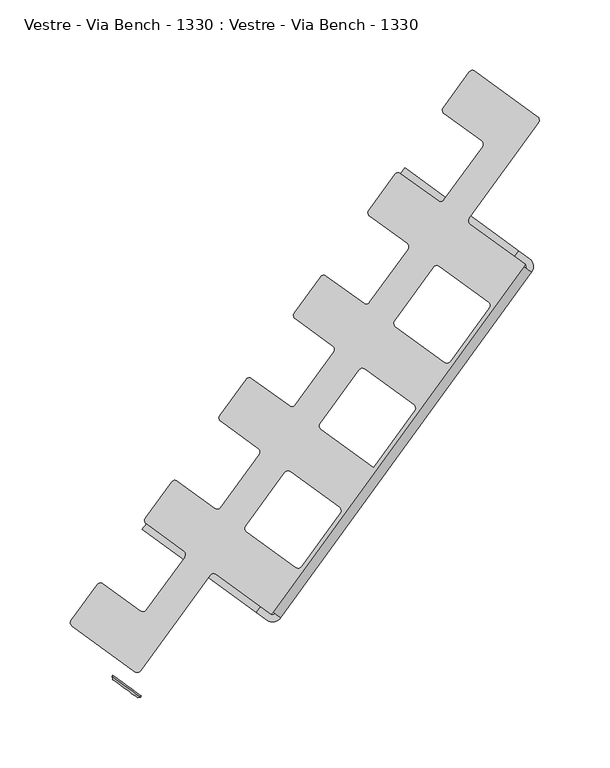
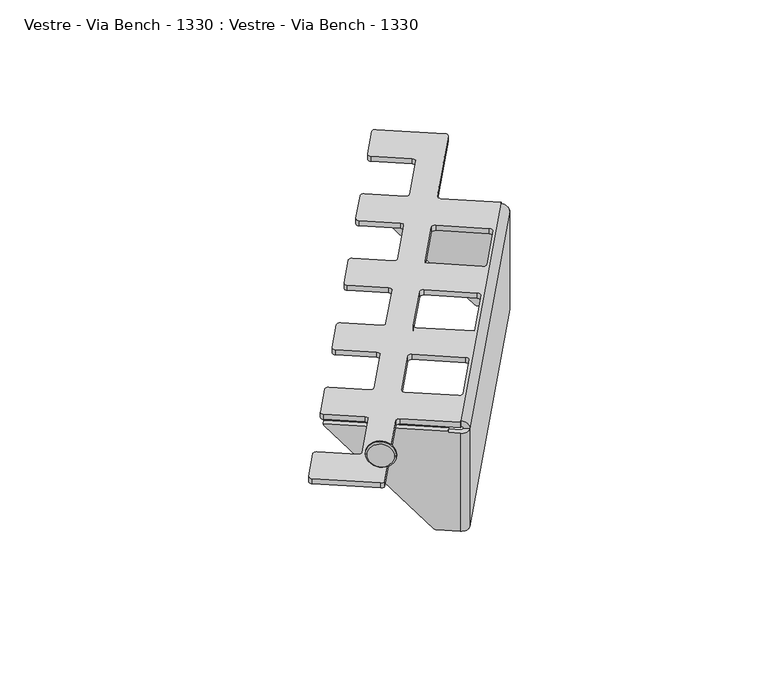
"""IFC4 building model written with IfcOpenShell, lengths in millimetres: furniture geometry, Vestre - Via Bench - 1330 : Vestre - Via Bench - 1330."""

from ifc_helpers import new_model, si_unit, frame, origin, place, context, project, spatial, polyline, circle_curve, source, transform, mapped, element, save
from ifc_brep_helpers import plane_surface, cylinder_surface, revolved_surface, advanced_brep


def vestre_via_bench_1330_vestre_via_bench_1330_fd4237d5(model_context):
    return source(origin(), model_context, "Body", "AdvancedBrep", [
        advanced_brep(
        [(752.5092483, -363.9239104, 370.1409501), (823.543493, -415.5333101, 276.7949141), (825.3113624, -416.8177424, 275.8503634), (840.4426149, -427.8112408, 275.8503634), (840.4426149, -427.8112408, 371.0003634), (832.7569534, -422.2272809, 371.0003634), (832.7569534, -422.2272809, 372.0003634), (751.855254, -363.4487557, 372.0003634), (755.4481746, -359.8788254, 370.1409501), (754.7941802, -359.4036707, 372.0003634), (835.6958797, -418.1821959, 372.0003634), (835.6958797, -418.1821959, 371.0003634), (843.3815411, -423.7661558, 371.0003634), (843.3815411, -423.7661558, 275.8503634), (828.2502886, -412.7726574, 275.8503634), (826.4824193, -411.4882251, 276.7949141), (850.2202306, -426.2626186, 371.0003634), (846.1751456, -423.3236924, 371.0003634), (846.1751456, -423.3236924, 275.8503634), (1024.3916341, -178.0297397, 275.8503634), (1023.9491706, -175.2361352, 275.8503634), (1008.8179181, -164.2426367, 275.8503634), (1011.7568444, -160.1975517, 275.8503634), (1026.8880969, -171.1910502, 275.8503634), (1028.4367191, -180.9686659, 275.8503634), (850.2202306, -426.2626186, 275.8503634), (825.4288361, -257.0795026, 378.0003634), (806.9723792, -282.4826362, 378.0003634), (807.6360744, -286.6730429, 378.0003634), (834.3336352, -306.0699562, 378.0003634), (834.9973305, -310.260363, 378.0003634), (807.6065377, -347.9605549, 378.0003634), (803.416131, -348.6242501, 378.0003634), (776.7185701, -329.2273368, 378.0003634), (772.5281634, -329.891032, 378.0003634), (754.0717065, -355.2941657, 378.0003634), (754.7354017, -359.4845724, 378.0003634), (781.4329625, -378.8814857, 378.0003634), (782.0966578, -383.0718925, 378.0003634), (754.705865, -420.7720844, 378.0003634), (750.5154583, -421.4357796, 378.0003634), (723.8178974, -402.0388663, 378.0003634), (719.6274907, -402.7025615, 378.0003634), (701.2885908, -427.9438918, 378.0003634), (701.9522861, -432.1342985, 378.0003634), (746.4482207, -464.4624874, 378.0003634), (750.6386275, -463.7987922, 378.0003634), (799.9538102, -395.9222663, 378.0003634), (804.1442169, -395.2585711, 378.0003634), (843.3815411, -423.7661558, 378.0003634), (844.5571116, -422.1481219, 378.0003634), (1022.7736001, -176.8541692, 378.0003634), (1023.9491706, -175.2361352, 378.0003634), (984.7118464, -146.7285504, 378.0003634), (984.0481512, -142.5381437, 378.0003634), (1033.3633338, -74.6616179, 378.0003634), (1032.6996386, -70.4712111, 378.0003634), (988.2037039, -38.1430222, 378.0003634), (984.0132972, -38.8067175, 378.0003634), (965.6743973, -64.0480477, 378.0003634), (966.3380925, -68.2384544, 378.0003634), (993.0356534, -87.6353678, 378.0003634), (993.6993486, -91.8257745, 378.0003634), (966.3085558, -129.5259664, 378.0003634), (962.1181491, -130.1896617, 378.0003634), (935.4205883, -110.7927483, 378.0003634), (931.2301815, -111.4564436, 378.0003634), (912.7737246, -136.8595772, 378.0003634), (913.4374198, -141.0499839, 378.0003634), (940.1349806, -160.4468973, 378.0003634), (940.7986759, -164.637304, 378.0003634), (913.4078831, -202.3374959, 378.0003634), (909.2174764, -203.0011912, 378.0003634), (882.5199156, -183.6042778, 378.0003634), (878.3295088, -184.2679731, 378.0003634), (859.8730519, -209.6711067, 378.0003634), (860.5367471, -213.8615134, 378.0003634), (887.2343079, -233.2584268, 378.0003634), (887.8980032, -237.4488335, 378.0003634), (860.5072104, -275.1490254, 378.0003634), (856.3168037, -275.8127207, 378.0003634), (829.6192429, -256.4158073, 378.0003634), (856.9861111, -322.5279433, 378.0003634), (891.7738418, -347.8027092, 378.0003634), (892.4375371, -351.9931159, 378.0003634), (865.0467443, -389.6933078, 378.0003634), (860.8563376, -390.3570031, 378.0003634), (826.0686068, -365.0822372, 378.0003634), (825.4049116, -360.8918305, 378.0003634), (852.7957043, -323.1916385, 378.0003634), (909.8867838, -249.7164138, 378.0003634), (944.6745145, -274.9911797, 378.0003634), (945.3382098, -279.1815864, 378.0003634), (916.1840613, -319.3088293, 378.0003634), (878.9692795, -292.2707077, 378.0003634), (878.3055843, -288.080301, 378.0003634), (905.696377, -250.380109, 378.0003634), (962.7874565, -176.9048843, 378.0003634), (997.5751872, -202.1796502, 378.0003634), (998.2388825, -206.3700569, 378.0003634), (970.8480897, -244.0702488, 378.0003634), (966.657683, -244.7339441, 378.0003634), (931.8699522, -219.4591782, 378.0003634), (931.206257, -215.2687715, 378.0003634), (958.5970497, -177.5685795, 378.0003634), (825.4288361, -257.0795026, 373.0003634), (829.6192429, -256.4158073, 373.0003634), (856.3168037, -275.8127207, 373.0003634), (860.5072104, -275.1490254, 373.0003634), (887.8980032, -237.4488335, 373.0003634), (887.2343079, -233.2584268, 373.0003634), (860.5367471, -213.8615134, 373.0003634), (859.8730519, -209.6711067, 373.0003634), (878.3295088, -184.2679731, 373.0003634), (882.5199156, -183.6042778, 373.0003634), (909.2174764, -203.0011912, 373.0003634), (913.4078831, -202.3374959, 373.0003634), (940.7986759, -164.637304, 373.0003634), (940.1349806, -160.4468973, 373.0003634), (913.4374198, -141.0499839, 373.0003634), (912.7737246, -136.8595772, 373.0003634), (931.2301815, -111.4564436, 373.0003634), (935.4205883, -110.7927483, 373.0003634), (962.1181491, -130.1896617, 373.0003634), (966.3085558, -129.5259664, 373.0003634), (993.6993486, -91.8257745, 373.0003634), (993.0356534, -87.6353678, 373.0003634), (966.3380925, -68.2384544, 373.0003634), (965.6743973, -64.0480477, 373.0003634), (984.0132972, -38.8067175, 373.0003634), (988.2037039, -38.1430222, 373.0003634), (1032.6996386, -70.4712111, 373.0003634), (1033.3633338, -74.6616179, 373.0003634), (984.0481512, -142.5381437, 373.0003634), (984.7118464, -146.7285504, 373.0003634), (1023.9491706, -175.2361352, 373.0003634), (1022.7736001, -176.8541692, 373.0003634), (844.5571116, -422.1481219, 373.0003634), (843.3815411, -423.7661558, 373.0003634), (804.1442169, -395.2585711, 373.0003634), (799.9538102, -395.9222663, 373.0003634), (750.6386275, -463.7987922, 373.0003634), (746.4482207, -464.4624874, 373.0003634), (701.9522861, -432.1342985, 373.0003634), (701.2885908, -427.9438918, 373.0003634), (719.6274907, -402.7025615, 373.0003634), (723.8178974, -402.0388663, 373.0003634), (750.5154583, -421.4357796, 373.0003634), (754.705865, -420.7720844, 373.0003634), (782.0966578, -383.0718925, 373.0003634), (781.4329625, -378.8814857, 373.0003634), (754.7354017, -359.4845724, 373.0003634), (754.0717065, -355.2941657, 373.0003634), (772.5281634, -329.891032, 373.0003634), (776.7185701, -329.2273368, 373.0003634), (803.416131, -348.6242501, 373.0003634), (807.6065377, -347.9605549, 373.0003634), (834.9973305, -310.260363, 373.0003634), (834.3336352, -306.0699562, 373.0003634), (807.6360744, -286.6730429, 373.0003634), (806.9723792, -282.4826362, 373.0003634), (856.9861111, -322.5279433, 373.0003634), (852.7957043, -323.1916385, 373.0003634), (825.4049116, -360.8918305, 373.0003634), (826.0686068, -365.0822372, 373.0003634), (860.8563376, -390.3570031, 373.0003634), (865.0467443, -389.6933078, 373.0003634), (892.4375371, -351.9931159, 373.0003634), (891.7738418, -347.8027092, 373.0003634), (909.8867838, -249.7164138, 373.0003634), (905.696377, -250.380109, 373.0003634), (878.3055843, -288.080301, 373.0003634), (878.9692795, -292.2707077, 373.0003634), (916.1840613, -319.3088293, 373.0003634), (945.3382098, -279.1815864, 373.0003634), (944.6745145, -274.9911797, 373.0003634), (962.7874565, -176.9048843, 373.0003634), (958.5970497, -177.5685795, 373.0003634), (931.206257, -215.2687715, 373.0003634), (931.8699522, -219.4591782, 373.0003634), (966.657683, -244.7339441, 373.0003634), (970.8480897, -244.0702488, 373.0003634), (998.2388825, -206.3700569, 373.0003634), (997.5751872, -202.1796502, 373.0003634), (1028.4367191, -180.9686659, 371.0003634), (1024.3916341, -178.0297397, 371.0003634), (1016.2635092, -169.6521753, 371.0003634), (1023.9491706, -175.2361352, 371.0003634), (1026.8880969, -171.1910502, 371.0003634), (1019.2024354, -165.6070903, 371.0003634), (1016.2635092, -169.6521753, 372.0003634), (935.3618097, -110.87365, 372.0003634), (936.0158041, -111.3488047, 370.1409501), (1007.0500488, -162.9582045, 276.7949141), (1009.988975, -158.9131195, 276.7949141), (938.9547303, -107.3037198, 370.1409501), (938.300736, -106.8285651, 372.0003634), (1019.2024354, -165.6070903, 372.0003634)],
        [
            (0, 1),
            (1, 2, circle_curve(frame((825.3113624, -416.8177424, 278.8503634), z_axis=(-0.5877852522928866, -0.8090169943746471, 0.0), x_axis=(0.0, 0.0, -1.0)), 3.0)),
            (2, 3),
            (3, 4),
            (4, 5),
            (5, 6),
            (6, 7),
            (7, 0, circle_curve(frame((754.2771177, -365.2083426, 372.1963993), z_axis=(-0.587785252292255, -0.8090169943751061, 0.0), x_axis=(-0.8072878914356514, 0.5865289854714304, -0.06534531003243231)), 3.0)),
            (8, 9, circle_curve(frame((757.2160439, -361.1632577, 372.1963993), z_axis=(0.587785252292255, 0.8090169943751061, 0.0), x_axis=(-0.8072878914356514, 0.5865289854714304, -0.06534531003243231)), 3.0)),
            (9, 10),
            (10, 11),
            (11, 12),
            (12, 13),
            (13, 14),
            (14, 15, circle_curve(frame((828.2502886, -412.7726574, 278.8503634), z_axis=(0.5877852522928866, 0.8090169943746471, 0.0), x_axis=(0.0, 0.0, -1.0)), 3.0)),
            (15, 8),
            (7, 9),
            (8, 0),
            (6, 10),
            (5, 11),
            (4, 16, circle_curve(frame((844.5571116, -422.1481219, 371.0003634), z_axis=(0.0, 0.0, 1.0), x_axis=(-0.8090169943748994, 0.5877852522925394, 0.0)), 7.0)),
            (16, 17),
            (17, 12, circle_curve(frame((844.5571116, -422.1481219, 371.0003634), z_axis=(0.0, 0.0, -1.0), x_axis=(-0.8090169943748994, 0.5877852522925394, 0.0)), 2.0)),
            (2, 14),
            (13, 18, circle_curve(frame((844.5571116, -422.1481219, 275.8503634), z_axis=(0.0, 0.0, 1.0), x_axis=(-0.8090169943748994, 0.5877852522925394, 0.0)), 2.0)),
            (18, 19),
            (19, 20, circle_curve(frame((1022.7736001, -176.8541692, 275.8503634), z_axis=(0.0, 0.0, 1.0), x_axis=(-0.8090169943748994, 0.5877852522925394, 0.0)), 2.0)),
            (20, 21),
            (21, 22),
            (22, 23),
            (23, 24, circle_curve(frame((1022.7736001, -176.8541692, 275.8503634), z_axis=(0.0, 0.0, -1.0), x_axis=(-0.8090169943748994, 0.5877852522925394, 0.0)), 7.0)),
            (24, 25),
            (25, 3, circle_curve(frame((844.5571116, -422.1481219, 275.8503634), z_axis=(0.0, 0.0, -1.0), x_axis=(-0.8090169943748994, 0.5877852522925394, 0.0)), 7.0)),
            (1, 15),
            (17, 18),
            (25, 16),
            (26, 27),
            (27, 28, circle_curve(frame((809.3994302, -284.2459919, 378.0003634), z_axis=(0.0, 0.0, 1.0), x_axis=(-0.8090169943748462, 0.5877852522926125, 0.0)), 3.0)),
            (28, 29),
            (29, 30, circle_curve(frame((832.5702795, -308.4970072, 378.0003634), z_axis=(0.0, 0.0, -1.0), x_axis=(0.8090169943751115, -0.5877852522922474, 0.0)), 3.0)),
            (30, 31),
            (31, 32, circle_curve(frame((805.1794867, -346.1971992, 378.0003634), z_axis=(0.0, 0.0, -1.0), x_axis=(-0.5877852522926489, -0.8090169943748198, 0.0)), 3.0)),
            (32, 33),
            (33, 34, circle_curve(frame((774.9552144, -331.6543878, 378.0003634), z_axis=(0.0, 0.0, 1.0), x_axis=(0.5877852522924664, 0.8090169943749523, 0.0)), 3.0)),
            (34, 35),
            (35, 36, circle_curve(frame((756.4987575, -357.0575214, 378.0003634), z_axis=(0.0, 0.0, 1.0), x_axis=(-0.8090169943749523, 0.5877852522924664, 0.0)), 3.0)),
            (36, 37),
            (37, 38, circle_curve(frame((779.6696068, -381.3085367, 378.0003634), z_axis=(0.0, 0.0, -1.0), x_axis=(0.8090169943748462, -0.5877852522926125, 0.0)), 3.0)),
            (38, 39),
            (39, 40, circle_curve(frame((752.278814, -419.0087287, 378.0003634), z_axis=(0.0, 0.0, -1.0), x_axis=(-0.5877852522925029, -0.8090169943749259, 0.0)), 3.0)),
            (40, 41),
            (41, 42, circle_curve(frame((722.0545417, -404.4659173, 378.0003634), z_axis=(0.0, 0.0, 1.0), x_axis=(0.5877852522924664, 0.8090169943749523, 0.0)), 3.0)),
            (42, 43),
            (43, 44, circle_curve(frame((703.7156418, -429.7072475, 378.0003634), z_axis=(0.0, 0.0, 1.0), x_axis=(-0.8090169943748994, 0.5877852522925394, 0.0)), 3.0)),
            (44, 45),
            (45, 46, circle_curve(frame((748.2115765, -462.0354364, 378.0003634), z_axis=(0.0, 0.0, 1.0), x_axis=(-0.5877852522925394, -0.8090169943748994, 0.0)), 3.0)),
            (46, 47),
            (47, 48, circle_curve(frame((802.3808611, -397.6856221, 378.0003634), z_axis=(0.0, 0.0, -1.0), x_axis=(0.5877852522925394, 0.8090169943748994, 0.0)), 3.0)),
            (48, 49),
            (49, 50),
            (50, 51),
            (51, 52),
            (52, 53),
            (53, 54, circle_curve(frame((986.4752022, -144.3014994, 378.0003634), z_axis=(0.0, 0.0, -1.0), x_axis=(-0.8090169943748462, 0.5877852522926125, 0.0)), 3.0)),
            (54, 55),
            (55, 56, circle_curve(frame((1030.9362829, -72.8982621, 378.0003634), z_axis=(0.0, 0.0, 1.0), x_axis=(0.5877852522923204, 0.8090169943750585, 0.0)), 3.0)),
            (56, 57),
            (57, 58, circle_curve(frame((986.4403482, -40.5700732, 378.0003634), z_axis=(0.0, 0.0, 1.0), x_axis=(0.5877852522926489, 0.8090169943748198, 0.0)), 3.0)),
            (58, 59),
            (59, 60, circle_curve(frame((968.1014483, -65.8114035, 378.0003634), z_axis=(0.0, 0.0, 1.0), x_axis=(-0.8090169943747402, 0.5877852522927585, 0.0)), 3.0)),
            (60, 61),
            (61, 62, circle_curve(frame((991.2722976, -90.0624187, 378.0003634), z_axis=(0.0, 0.0, -1.0), x_axis=(0.8090169943748462, -0.5877852522926125, 0.0)), 3.0)),
            (62, 63),
            (63, 64, circle_curve(frame((963.8815048, -127.7626107, 378.0003634), z_axis=(0.0, 0.0, -1.0), x_axis=(-0.5877852522925029, -0.8090169943749259, 0.0)), 3.0)),
            (64, 65),
            (65, 66, circle_curve(frame((933.6572325, -113.2197993, 378.0003634), z_axis=(0.0, 0.0, 1.0), x_axis=(0.5877852522924664, 0.8090169943749523, 0.0)), 3.0)),
            (66, 67),
            (67, 68, circle_curve(frame((915.2007756, -138.6229329, 378.0003634), z_axis=(0.0, 0.0, 1.0), x_axis=(-0.8090169943747932, 0.5877852522926854, 0.0)), 3.0)),
            (68, 69),
            (69, 70, circle_curve(frame((938.3716249, -162.8739482, 378.0003634), z_axis=(0.0, 0.0, -1.0), x_axis=(0.8090169943747932, -0.5877852522926854, 0.0)), 3.0)),
            (70, 71),
            (71, 72, circle_curve(frame((910.9808321, -200.5741402, 378.0003634), z_axis=(0.0, 0.0, -1.0), x_axis=(-0.5877852522925029, -0.8090169943749259, 0.0)), 3.0)),
            (72, 73),
            (73, 74, circle_curve(frame((880.7565598, -186.0313288, 378.0003634), z_axis=(0.0, 0.0, 1.0), x_axis=(0.5877852522924664, 0.8090169943749523, 0.0)), 3.0)),
            (74, 75),
            (75, 76, circle_curve(frame((862.3001029, -211.4344624, 378.0003634), z_axis=(0.0, 0.0, 1.0), x_axis=(-0.8090169943747932, 0.5877852522926854, 0.0)), 3.0)),
            (76, 77),
            (77, 78, circle_curve(frame((885.4709522, -235.6854777, 378.0003634), z_axis=(0.0, 0.0, -1.0), x_axis=(0.8090169943749523, -0.5877852522924664, 0.0)), 3.0)),
            (78, 79),
            (79, 80, circle_curve(frame((858.0801594, -273.3856697, 378.0003634), z_axis=(0.0, 0.0, -1.0), x_axis=(-0.5877852522925394, -0.8090169943748994, 0.0)), 3.0)),
            (80, 81),
            (81, 26, circle_curve(frame((827.8558871, -258.8428583, 378.0003634), z_axis=(0.0, 0.0, 1.0), x_axis=(0.5877852522926125, 0.8090169943748462, 0.0)), 3.0)),
            (82, 83),
            (83, 84, circle_curve(frame((890.0104861, -350.2297601, 378.0003634), z_axis=(0.0, 0.0, -1.0), x_axis=(0.8090169943748994, -0.5877852522925394, 0.0)), 3.0)),
            (84, 85),
            (85, 86, circle_curve(frame((862.6196933, -387.9299521, 378.0003634), z_axis=(0.0, 0.0, -1.0), x_axis=(-0.5877852522925759, -0.8090169943748727, 0.0)), 3.0)),
            (86, 87),
            (87, 88, circle_curve(frame((827.8319626, -362.6551862, 378.0003634), z_axis=(0.0, 0.0, -1.0), x_axis=(-0.8090169943748462, 0.5877852522926125, 0.0)), 3.0)),
            (88, 89),
            (89, 82, circle_curve(frame((855.2227553, -324.9549943, 378.0003634), z_axis=(0.0, 0.0, -1.0), x_axis=(0.5877852522924664, 0.8090169943749523, 0.0)), 3.0)),
            (90, 91),
            (91, 92, circle_curve(frame((942.9111588, -277.4182306, 378.0003634), z_axis=(0.0, 0.0, -1.0), x_axis=(0.8090169943749523, -0.5877852522924664, 0.0)), 3.0)),
            (92, 93),
            (93, 94),
            (94, 95, circle_curve(frame((880.7326353, -289.8436567, 378.0003634), z_axis=(0.0, 0.0, -1.0), x_axis=(-0.8090169943748462, 0.5877852522926125, 0.0)), 3.0)),
            (95, 96),
            (96, 90, circle_curve(frame((908.123428, -252.1434648, 378.0003634), z_axis=(0.0, 0.0, -1.0), x_axis=(0.5877852522924664, 0.8090169943749523, 0.0)), 3.0)),
            (97, 98),
            (98, 99, circle_curve(frame((995.8118315, -204.6067012, 378.0003634), z_axis=(0.0, 0.0, -1.0), x_axis=(0.8090169943748462, -0.5877852522926125, 0.0)), 3.0)),
            (99, 100),
            (100, 101, circle_curve(frame((968.4210387, -242.3068931, 378.0003634), z_axis=(0.0, 0.0, -1.0), x_axis=(-0.5877852522926489, -0.8090169943748198, 0.0)), 3.0)),
            (101, 102),
            (102, 103, circle_curve(frame((933.633308, -217.0321272, 378.0003634), z_axis=(0.0, 0.0, -1.0), x_axis=(-0.8090169943748462, 0.5877852522926125, 0.0)), 3.0)),
            (103, 104),
            (104, 97, circle_curve(frame((961.0241007, -179.3319353, 378.0003634), z_axis=(0.0, 0.0, -1.0), x_axis=(0.5877852522924664, 0.8090169943749523, 0.0)), 3.0)),
            (105, 106, circle_curve(frame((827.8558871, -258.8428583, 373.0003634), z_axis=(0.0, 0.0, -1.0), x_axis=(0.5877852522926125, 0.8090169943748462, 0.0)), 3.0)),
            (106, 107),
            (107, 108, circle_curve(frame((858.0801594, -273.3856697, 373.0003634), z_axis=(0.0, 0.0, 1.0), x_axis=(-0.5877852522925394, -0.8090169943748994, 0.0)), 3.0)),
            (108, 109),
            (109, 110, circle_curve(frame((885.4709522, -235.6854777, 373.0003634), z_axis=(0.0, 0.0, 1.0), x_axis=(0.8090169943749523, -0.5877852522924664, 0.0)), 3.0)),
            (110, 111),
            (111, 112, circle_curve(frame((862.3001029, -211.4344624, 373.0003634), z_axis=(0.0, 0.0, -1.0), x_axis=(-0.8090169943747932, 0.5877852522926854, 0.0)), 3.0)),
            (112, 113),
            (113, 114, circle_curve(frame((880.7565598, -186.0313288, 373.0003634), z_axis=(0.0, 0.0, -1.0), x_axis=(0.5877852522924664, 0.8090169943749523, 0.0)), 3.0)),
            (114, 115),
            (115, 116, circle_curve(frame((910.9808321, -200.5741402, 373.0003634), z_axis=(0.0, 0.0, 1.0), x_axis=(-0.5877852522925029, -0.8090169943749259, 0.0)), 3.0)),
            (116, 117),
            (117, 118, circle_curve(frame((938.3716249, -162.8739482, 373.0003634), z_axis=(0.0, 0.0, 1.0), x_axis=(0.8090169943747932, -0.5877852522926854, 0.0)), 3.0)),
            (118, 119),
            (119, 120, circle_curve(frame((915.2007756, -138.6229329, 373.0003634), z_axis=(0.0, 0.0, -1.0), x_axis=(-0.8090169943747932, 0.5877852522926854, 0.0)), 3.0)),
            (120, 121),
            (121, 122, circle_curve(frame((933.6572325, -113.2197993, 373.0003634), z_axis=(0.0, 0.0, -1.0), x_axis=(0.5877852522924664, 0.8090169943749523, 0.0)), 3.0)),
            (122, 123),
            (123, 124, circle_curve(frame((963.8815048, -127.7626107, 373.0003634), z_axis=(0.0, 0.0, 1.0), x_axis=(-0.5877852522925029, -0.8090169943749259, 0.0)), 3.0)),
            (124, 125),
            (125, 126, circle_curve(frame((991.2722976, -90.0624187, 373.0003634), z_axis=(0.0, 0.0, 1.0), x_axis=(0.8090169943748462, -0.5877852522926125, 0.0)), 3.0)),
            (126, 127),
            (127, 128, circle_curve(frame((968.1014483, -65.8114035, 373.0003634), z_axis=(0.0, 0.0, -1.0), x_axis=(-0.8090169943747402, 0.5877852522927585, 0.0)), 3.0)),
            (128, 129),
            (129, 130, circle_curve(frame((986.4403482, -40.5700732, 373.0003634), z_axis=(0.0, 0.0, -1.0), x_axis=(0.5877852522926489, 0.8090169943748198, 0.0)), 3.0)),
            (130, 131),
            (131, 132, circle_curve(frame((1030.9362829, -72.8982621, 373.0003634), z_axis=(0.0, 0.0, -1.0), x_axis=(0.5877852522923204, 0.8090169943750585, 0.0)), 3.0)),
            (132, 133),
            (133, 134, circle_curve(frame((986.4752022, -144.3014994, 373.0003634), z_axis=(0.0, 0.0, 1.0), x_axis=(-0.8090169943748462, 0.5877852522926125, 0.0)), 3.0)),
            (134, 135),
            (135, 136),
            (136, 137),
            (137, 138),
            (138, 139),
            (139, 140, circle_curve(frame((802.3808611, -397.6856221, 373.0003634), z_axis=(0.0, 0.0, 1.0), x_axis=(0.5877852522925394, 0.8090169943748994, 0.0)), 3.0)),
            (140, 141),
            (141, 142, circle_curve(frame((748.2115765, -462.0354364, 373.0003634), z_axis=(0.0, 0.0, -1.0), x_axis=(-0.5877852522925394, -0.8090169943748994, 0.0)), 3.0)),
            (142, 143),
            (143, 144, circle_curve(frame((703.7156418, -429.7072475, 373.0003634), z_axis=(0.0, 0.0, -1.0), x_axis=(-0.8090169943748994, 0.5877852522925394, 0.0)), 3.0)),
            (144, 145),
            (145, 146, circle_curve(frame((722.0545417, -404.4659173, 373.0003634), z_axis=(0.0, 0.0, -1.0), x_axis=(0.5877852522924664, 0.8090169943749523, 0.0)), 3.0)),
            (146, 147),
            (147, 148, circle_curve(frame((752.278814, -419.0087287, 373.0003634), z_axis=(0.0, 0.0, 1.0), x_axis=(-0.5877852522925029, -0.8090169943749259, 0.0)), 3.0)),
            (148, 149),
            (149, 150, circle_curve(frame((779.6696068, -381.3085367, 373.0003634), z_axis=(0.0, 0.0, 1.0), x_axis=(0.8090169943748462, -0.5877852522926125, 0.0)), 3.0)),
            (150, 151),
            (151, 152, circle_curve(frame((756.4987575, -357.0575214, 373.0003634), z_axis=(0.0, 0.0, -1.0), x_axis=(-0.8090169943749523, 0.5877852522924664, 0.0)), 3.0)),
            (152, 153),
            (153, 154, circle_curve(frame((774.9552144, -331.6543878, 373.0003634), z_axis=(0.0, 0.0, -1.0), x_axis=(0.5877852522924664, 0.8090169943749523, 0.0)), 3.0)),
            (154, 155),
            (155, 156, circle_curve(frame((805.1794867, -346.1971992, 373.0003634), z_axis=(0.0, 0.0, 1.0), x_axis=(-0.5877852522926489, -0.8090169943748198, 0.0)), 3.0)),
            (156, 157),
            (157, 158, circle_curve(frame((832.5702795, -308.4970072, 373.0003634), z_axis=(0.0, 0.0, 1.0), x_axis=(0.8090169943751115, -0.5877852522922474, 0.0)), 3.0)),
            (158, 159),
            (159, 160, circle_curve(frame((809.3994302, -284.2459919, 373.0003634), z_axis=(0.0, 0.0, -1.0), x_axis=(-0.8090169943748462, 0.5877852522926125, 0.0)), 3.0)),
            (160, 105),
            (161, 162, circle_curve(frame((855.2227553, -324.9549943, 373.0003634), z_axis=(0.0, 0.0, 1.0), x_axis=(0.5877852522924664, 0.8090169943749523, 0.0)), 3.0)),
            (162, 163),
            (163, 164, circle_curve(frame((827.8319626, -362.6551862, 373.0003634), z_axis=(0.0, 0.0, 1.0), x_axis=(-0.8090169943748462, 0.5877852522926125, 0.0)), 3.0)),
            (164, 165),
            (165, 166, circle_curve(frame((862.6196933, -387.9299521, 373.0003634), z_axis=(0.0, 0.0, 1.0), x_axis=(-0.5877852522925759, -0.8090169943748727, 0.0)), 3.0)),
            (166, 167),
            (167, 168, circle_curve(frame((890.0104861, -350.2297601, 373.0003634), z_axis=(0.0, 0.0, 1.0), x_axis=(0.8090169943748994, -0.5877852522925394, 0.0)), 3.0)),
            (168, 161),
            (169, 170, circle_curve(frame((908.123428, -252.1434648, 373.0003634), z_axis=(0.0, 0.0, 1.0), x_axis=(0.5877852522924664, 0.8090169943749523, 0.0)), 3.0)),
            (170, 171),
            (171, 172, circle_curve(frame((880.7326353, -289.8436567, 373.0003634), z_axis=(0.0, 0.0, 1.0), x_axis=(-0.8090169943748462, 0.5877852522926125, 0.0)), 3.0)),
            (172, 173),
            (173, 174),
            (174, 175, circle_curve(frame((942.9111588, -277.4182306, 373.0003634), z_axis=(0.0, 0.0, 1.0), x_axis=(0.8090169943749523, -0.5877852522924664, 0.0)), 3.0)),
            (175, 169),
            (176, 177, circle_curve(frame((961.0241007, -179.3319353, 373.0003634), z_axis=(0.0, 0.0, 1.0), x_axis=(0.5877852522924664, 0.8090169943749523, 0.0)), 3.0)),
            (177, 178),
            (178, 179, circle_curve(frame((933.633308, -217.0321272, 373.0003634), z_axis=(0.0, 0.0, 1.0), x_axis=(-0.8090169943748462, 0.5877852522926125, 0.0)), 3.0)),
            (179, 180),
            (180, 181, circle_curve(frame((968.4210387, -242.3068931, 373.0003634), z_axis=(0.0, 0.0, 1.0), x_axis=(-0.5877852522926489, -0.8090169943748198, 0.0)), 3.0)),
            (181, 182),
            (182, 183, circle_curve(frame((995.8118315, -204.6067012, 373.0003634), z_axis=(0.0, 0.0, 1.0), x_axis=(0.8090169943748462, -0.5877852522926125, 0.0)), 3.0)),
            (183, 176),
            (81, 106),
            (105, 26),
            (80, 107),
            (79, 108),
            (78, 109),
            (77, 110),
            (76, 111),
            (75, 112),
            (74, 113),
            (73, 114),
            (72, 115),
            (71, 116),
            (70, 117),
            (69, 118),
            (68, 119),
            (67, 120),
            (66, 121),
            (65, 122),
            (64, 123),
            (63, 124),
            (62, 125),
            (61, 126),
            (60, 127),
            (59, 128),
            (58, 129),
            (57, 130),
            (56, 131),
            (55, 132),
            (54, 133),
            (53, 134),
            (52, 135),
            (51, 136),
            (49, 138),
            (137, 50),
            (48, 139),
            (47, 140),
            (46, 141),
            (45, 142),
            (44, 143),
            (43, 144),
            (42, 145),
            (41, 146),
            (40, 147),
            (39, 148),
            (38, 149),
            (37, 150),
            (36, 151),
            (35, 152),
            (34, 153),
            (33, 154),
            (32, 155),
            (31, 156),
            (30, 157),
            (29, 158),
            (28, 159),
            (27, 160),
            (89, 162),
            (161, 82),
            (88, 163),
            (87, 164),
            (86, 165),
            (85, 166),
            (84, 167),
            (83, 168),
            (96, 170),
            (169, 90),
            (95, 171),
            (94, 172),
            (93, 173),
            (92, 174),
            (91, 175),
            (104, 177),
            (176, 97),
            (103, 178),
            (102, 179),
            (101, 180),
            (100, 181),
            (99, 182),
            (98, 183),
            (137, 17, circle_curve(frame((844.5571116, -422.1481219, 371.0003634), z_axis=(0.5877852522925394, 0.8090169943748994, 0.0), x_axis=(-0.8090169943748994, 0.5877852522925394, 0.0)), 2.0)),
            (16, 50, circle_curve(frame((844.5571116, -422.1481219, 371.0003634), z_axis=(-0.5877852522925394, -0.8090169943748994, 0.0), x_axis=(-0.8090169943748994, 0.5877852522925394, 0.0)), 7.0)),
            (51, 184, circle_curve(frame((1022.7736001, -176.8541692, 371.0003634), z_axis=(0.5877852522925394, 0.8090169943748994, 0.0), x_axis=(-0.8090169943748994, 0.5877852522925394, 0.0)), 7.0)),
            (184, 185),
            (185, 136, circle_curve(frame((1022.7736001, -176.8541692, 371.0003634), z_axis=(-0.5877852522925394, -0.8090169943748994, 0.0), x_axis=(-0.8090169943748994, 0.5877852522925394, 0.0)), 2.0)),
            (16, 184),
            (185, 17),
            (24, 184),
            (185, 19),
            (186, 187),
            (187, 185, circle_curve(frame((1022.7736001, -176.8541692, 371.0003634), z_axis=(0.0, 0.0, -1.0), x_axis=(-0.8090169943748994, 0.5877852522925394, 0.0)), 2.0)),
            (184, 188, circle_curve(frame((1022.7736001, -176.8541692, 371.0003634), z_axis=(0.0, 0.0, 1.0), x_axis=(-0.8090169943748994, 0.5877852522925394, 0.0)), 7.0)),
            (188, 189),
            (189, 186),
            (186, 190),
            (190, 191),
            (191, 192, circle_curve(frame((937.7836734, -112.633237, 372.1963993), z_axis=(-0.587785252292824, -0.8090169943746925, 0.0), x_axis=(-0.8072878914352271, 0.5865289854720144, -0.06534531003243231)), 3.0)),
            (192, 193),
            (193, 21, circle_curve(frame((1008.8179181, -164.2426367, 278.8503634), z_axis=(-0.5877852522921923, -0.8090169943751515, 0.0), x_axis=(0.0, 0.0, -1.0)), 3.0)),
            (20, 187),
            (23, 188),
            (22, 194, circle_curve(frame((1011.7568444, -160.1975517, 278.8503634), z_axis=(0.5877852522921923, 0.8090169943751515, 0.0), x_axis=(0.0, 0.0, -1.0)), 3.0)),
            (194, 195),
            (195, 196, circle_curve(frame((940.7225997, -108.588152, 372.1963993), z_axis=(0.587785252292824, 0.8090169943746925, 0.0), x_axis=(-0.8072878914352271, 0.5865289854720144, -0.06534531003243231)), 3.0)),
            (196, 197),
            (197, 189),
            (195, 192),
            (191, 196),
            (190, 197),
            (193, 194),
        ],
        [
            plane_surface(frame((823.543493, -415.5333101, 276.7949141), z_axis=(-0.5877852522925395, -0.8090169943748995, 0.0), x_axis=(0.5542977985388883, -0.4027209238183195, -0.7284022295777667))),
            plane_surface(frame((826.4824193, -411.4882251, 276.7949141), z_axis=(0.5877852522925395, 0.8090169943748995, 0.0), x_axis=(-0.5542977985388883, 0.4027209238183195, 0.7284022295777667))),
            cylinder_surface(frame((757.2160439, -361.1632577, 372.1963993), z_axis=(-0.587785252292255, -0.8090169943751061, 0.0), x_axis=(-0.8072878914356514, 0.5865289854714304, -0.06534531003243231)), 3.0),
            plane_surface(frame((832.7569534, -422.2272809, 372.0003634), z_axis=(0.0, 0.0, 1.0), x_axis=(0.5877852522925411, 0.809016994374898, 0.0))),
            plane_surface(frame((832.7569534, -422.2272809, 371.0003634), z_axis=(0.809016994374898, -0.5877852522925411, 0.0), x_axis=(0.5877852522925411, 0.809016994374898, 0.0))),
            plane_surface(frame((840.4426149, -427.8112408, 371.0003634), z_axis=(0.0, 0.0, 1.0), x_axis=(0.5877852522925411, 0.809016994374898, 0.0))),
            plane_surface(frame((825.3113624, -416.8177424, 275.8503634), z_axis=(0.0, 0.0, -1.0), x_axis=(0.5877852522925411, 0.809016994374898, 0.0))),
            cylinder_surface(frame((828.2502886, -412.7726574, 278.8503634), z_axis=(-0.5877852522928866, -0.8090169943746471, 0.0), x_axis=(0.0, 0.0, -1.0)), 3.0),
            plane_surface(frame((752.5092483, -363.9239104, 370.1409501), z_axis=(-0.5892897824689792, 0.428144088282817, -0.6851497587725903), x_axis=(0.5877852522925411, 0.809016994374898, 0.0))),
            revolved_surface(polyline([(842.9390776112502, -420.9725513954149, 275.8503634), (842.9390776112502, -420.9725513954149, 371.0003634000001)]), (844.5571116, -422.1481219, 275.8503634), (0.0, 0.0, -1.0000000000000002)),
            cylinder_surface(frame((844.5571116, -422.1481219, 275.8503634), z_axis=(0.0, 0.0, 1.0000000000000002), x_axis=(-0.8090169943748994, 0.5877852522925394, 0.0)), 7.0),
            plane_surface(frame((806.9723792, -282.4826362, 378.0003634), z_axis=(0.0, 0.0, 1.0), x_axis=(-0.587785252292538, -0.8090169943749004, 0.0))),
            plane_surface(frame((806.9723792, -282.4826362, 373.0003634), z_axis=(0.0, 0.0, -1.0), x_axis=(0.587785252292538, 0.8090169943749004, 0.0))),
            cylinder_surface(frame((827.8558871, -258.8428583, 373.0003634), z_axis=(0.0, 0.0, 1.0), x_axis=(0.5877852522926125, 0.8090169943748462, 0.0)), 3.0),
            plane_surface(frame((856.3168037, -275.8127207, 378.0003634), z_axis=(0.5877852522925402, 0.8090169943748988, 0.0), x_axis=(0.0, 0.0, -1.0))),
            revolved_surface(polyline([(856.3168036431223, -275.81272068312467, 373.0003634), (856.3168036431223, -275.81272068312467, 378.0003634)]), (858.0801594, -273.3856697, 373.0003634), (0.0, 0.0, -1.0000000000000002)),
            plane_surface(frame((887.8980032, -237.4488335, 378.0003634), z_axis=(-0.8090169943748986, 0.5877852522925403, 0.0), x_axis=(0.0, 0.0, -1.0))),
            revolved_surface(polyline([(887.898003183125, -237.4488334568774, 373.0003634), (887.898003183125, -237.4488334568774, 378.0003634)]), (885.4709522, -235.6854777, 373.0003634), (0.0, 0.0, -1.0)),
            plane_surface(frame((860.5367471, -213.8615134, 378.0003634), z_axis=(-0.5877852522925731, -0.8090169943748748, 0.0), x_axis=(0.0, 0.0, -1.0))),
            cylinder_surface(frame((862.3001029, -211.4344624, 373.0003634), z_axis=(0.0, 0.0, 1.0), x_axis=(-0.8090169943747932, 0.5877852522926854, 0.0)), 3.0),
            plane_surface(frame((878.3295088, -184.2679731, 378.0003634), z_axis=(-0.8090169943748973, 0.5877852522925423, 0.0), x_axis=(0.0, 0.0, -1.0))),
            cylinder_surface(frame((880.7565598, -186.0313288, 373.0003634), z_axis=(0.0, 0.0, 1.0), x_axis=(0.5877852522924664, 0.8090169943749523, 0.0)), 3.0),
            plane_surface(frame((909.2174764, -203.0011912, 378.0003634), z_axis=(0.5877852522925399, 0.8090169943748989, 0.0), x_axis=(0.0, 0.0, -1.0))),
            revolved_surface(polyline([(909.2174763431225, -203.00119118312477, 373.0003634), (909.2174763431225, -203.00119118312477, 378.0003634)]), (910.9808321, -200.5741402, 373.0003634), (0.0, 0.0, -1.0000000000000002)),
            plane_surface(frame((940.7986759, -164.637304, 378.0003634), z_axis=(-0.8090169943749057, 0.5877852522925305, 0.0), x_axis=(0.0, 0.0, -1.0))),
            revolved_surface(polyline([(940.7986758831244, -164.63730395687807, 373.0003634), (940.7986758831244, -164.63730395687807, 378.0003634)]), (938.3716249, -162.8739482, 373.0003634), (0.0, 0.0, -1.0)),
            plane_surface(frame((913.4374198, -141.0499839, 378.0003634), z_axis=(-0.5877852522925207, -0.809016994374913, 0.0), x_axis=(0.0, 0.0, -1.0))),
            cylinder_surface(frame((915.2007756, -138.6229329, 373.0003634), z_axis=(0.0, 0.0, 1.0), x_axis=(-0.8090169943747932, 0.5877852522926854, 0.0)), 3.0),
            plane_surface(frame((931.2301815, -111.4564436, 378.0003634), z_axis=(-0.8090169943748998, 0.5877852522925386, 0.0), x_axis=(0.0, 0.0, -1.0))),
            cylinder_surface(frame((933.6572325, -113.2197993, 373.0003634), z_axis=(0.0, 0.0, 1.0), x_axis=(0.5877852522924664, 0.8090169943749523, 0.0)), 3.0),
            plane_surface(frame((962.1181491, -130.1896617, 378.0003634), z_axis=(0.5877852522925385, 0.8090169943748999, 0.0), x_axis=(0.0, 0.0, -1.0))),
            revolved_surface(polyline([(962.1181490431225, -130.18966168312477, 373.0003634), (962.1181490431225, -130.18966168312477, 378.0003634)]), (963.8815048, -127.7626107, 373.0003634), (0.0, 0.0, -1.0000000000000002)),
            plane_surface(frame((993.6993486, -91.8257745, 378.0003634), z_axis=(-0.8090169943749029, 0.5877852522925345, 0.0), x_axis=(0.0, 0.0, -1.0))),
            revolved_surface(polyline([(993.6993485831246, -91.82577445687784, 373.0003634), (993.6993485831246, -91.82577445687784, 378.0003634)]), (991.2722976, -90.0624187, 373.0003634), (0.0, 0.0, -1.0)),
            plane_surface(frame((966.3380925, -68.2384544, 378.0003634), z_axis=(-0.5877852522925322, -0.8090169943749045, 0.0), x_axis=(0.0, 0.0, -1.0))),
            cylinder_surface(frame((968.1014483, -65.8114035, 373.0003634), z_axis=(0.0, 0.0, 1.0), x_axis=(-0.8090169943747402, 0.5877852522927585, 0.0)), 3.0),
            plane_surface(frame((984.0132972, -38.8067175, 378.0003634), z_axis=(-0.8090169943749003, 0.5877852522925381, 0.0), x_axis=(0.0, 0.0, -1.0))),
            cylinder_surface(frame((986.4403482, -40.5700732, 373.0003634), z_axis=(0.0, 0.0, 1.0), x_axis=(0.5877852522926489, 0.8090169943748198, 0.0)), 3.0),
            plane_surface(frame((1032.6996386, -70.4712111, 378.0003634), z_axis=(0.5877852522925421, 0.8090169943748974, 0.0), x_axis=(0.0, 0.0, -1.0))),
            cylinder_surface(frame((1030.9362829, -72.8982621, 373.0003634), z_axis=(0.0, 0.0, 1.0), x_axis=(0.5877852522923204, 0.8090169943750585, 0.0)), 3.0),
            plane_surface(frame((984.0481512, -142.5381437, 378.0003634), z_axis=(0.8090169943748989, -0.58778525229254, 0.0), x_axis=(0.0, 0.0, -1.0))),
            revolved_surface(polyline([(984.0481512168755, -142.53814364312217, 373.0003634), (984.0481512168755, -142.53814364312217, 378.0003634)]), (986.4752022, -144.3014994, 373.0003634), (0.0, 0.0, -1.0)),
            plane_surface(frame((1023.9491706, -175.2361352, 378.0003634), z_axis=(0.5877852522925358, 0.8090169943749019, 0.0), x_axis=(0.0, 0.0, -1.0))),
            plane_surface(frame((1022.7736001, -176.8541692, 378.0003634), z_axis=(0.8090169943749005, -0.5877852522925379, 0.0), x_axis=(0.0, 0.0, -1.0))),
            plane_surface(frame((843.3815411, -423.7661558, 378.0003634), z_axis=(0.8090169943714435, -0.5877852522972961, 0.0), x_axis=(0.0, 0.0, -1.0))),
            plane_surface(frame((804.1442169, -395.2585711, 378.0003634), z_axis=(-0.5877852522925395, -0.8090169943748993, 0.0), x_axis=(0.0, 0.0, -1.0))),
            revolved_surface(polyline([(804.1442168568776, -395.2585711168753, 373.0003634), (804.1442168568776, -395.2585711168753, 378.0003634)]), (802.3808611, -397.6856221, 373.0003634), (0.0, 0.0, -1.0000000000000002)),
            plane_surface(frame((750.6386275, -463.7987922, 378.0003634), z_axis=(0.809016994374901, -0.587785252292537, 0.0), x_axis=(0.0, 0.0, -1.0))),
            cylinder_surface(frame((748.2115765, -462.0354364, 373.0003634), z_axis=(0.0, 0.0, 1.0000000000000002), x_axis=(-0.5877852522925394, -0.8090169943748994, 0.0)), 3.0),
            plane_surface(frame((701.9522861, -432.1342985, 378.0003634), z_axis=(-0.5877852522925415, -0.8090169943748977, 0.0), x_axis=(0.0, 0.0, -1.0))),
            cylinder_surface(frame((703.7156418, -429.7072475, 373.0003634), z_axis=(0.0, 0.0, 1.0000000000000002), x_axis=(-0.8090169943748994, 0.5877852522925394, 0.0)), 3.0),
            plane_surface(frame((719.6274907, -402.7025615, 378.0003634), z_axis=(-0.8090169943748998, 0.5877852522925386, 0.0), x_axis=(0.0, 0.0, -1.0))),
            cylinder_surface(frame((722.0545417, -404.4659173, 373.0003634), z_axis=(0.0, 0.0, 1.0), x_axis=(0.5877852522924664, 0.8090169943749523, 0.0)), 3.0),
            plane_surface(frame((750.5154583, -421.4357796, 378.0003634), z_axis=(0.5877852522925385, 0.8090169943748999, 0.0), x_axis=(0.0, 0.0, -1.0))),
            revolved_surface(polyline([(750.5154582431225, -421.4357796831248, 373.0003634), (750.5154582431225, -421.4357796831248, 378.0003634)]), (752.278814, -419.0087287, 373.0003634), (0.0, 0.0, -1.0000000000000002)),
            plane_surface(frame((782.0966578, -383.0718925, 378.0003634), z_axis=(-0.8090169943749083, 0.587785252292527, 0.0), x_axis=(0.0, 0.0, -1.0))),
            revolved_surface(polyline([(782.0966577831246, -383.07189245687783, 373.0003634), (782.0966577831246, -383.07189245687783, 378.0003634)]), (779.6696068, -381.3085367, 373.0003634), (0.0, 0.0, -1.0)),
            plane_surface(frame((754.7354017, -359.4845724, 378.0003634), z_axis=(-0.5877852522925385, -0.8090169943748999, 0.0), x_axis=(0.0, 0.0, -1.0))),
            cylinder_surface(frame((756.4987575, -357.0575214, 373.0003634), z_axis=(0.0, 0.0, 1.0), x_axis=(-0.8090169943749523, 0.5877852522924664, 0.0)), 3.0),
            plane_surface(frame((772.5281634, -329.891032, 378.0003634), z_axis=(-0.8090169943749007, 0.5877852522925374, 0.0), x_axis=(0.0, 0.0, -1.0))),
            cylinder_surface(frame((774.9552144, -331.6543878, 373.0003634), z_axis=(0.0, 0.0, 1.0), x_axis=(0.5877852522924664, 0.8090169943749523, 0.0)), 3.0),
            plane_surface(frame((803.416131, -348.6242501, 378.0003634), z_axis=(0.5877852522925394, 0.8090169943748994, 0.0), x_axis=(0.0, 0.0, -1.0))),
            revolved_surface(polyline([(803.4161309431221, -348.62425018312445, 373.0003634), (803.4161309431221, -348.62425018312445, 378.0003634)]), (805.1794867, -346.1971992, 373.0003634), (0.0, 0.0, -1.0)),
            plane_surface(frame((834.9973305, -310.260363, 378.0003634), z_axis=(-0.8090169943748968, 0.5877852522925427, 0.0), x_axis=(0.0, 0.0, -1.0))),
            revolved_surface(polyline([(834.9973304831253, -310.26036295687675, 373.0003634), (834.9973304831253, -310.26036295687675, 378.0003634)]), (832.5702795, -308.4970072, 373.0003634), (0.0, 0.0, -1.0000000000000002)),
            plane_surface(frame((807.6360744, -286.6730429, 378.0003634), z_axis=(-0.5877852522925657, -0.8090169943748803, 0.0), x_axis=(0.0, 0.0, -1.0))),
            cylinder_surface(frame((809.3994302, -284.2459919, 373.0003634), z_axis=(0.0, 0.0, 1.0), x_axis=(-0.8090169943748462, 0.5877852522926125, 0.0)), 3.0),
            plane_surface(frame((825.4288361, -257.0795026, 378.0003634), z_axis=(-0.8090169943749004, 0.587785252292538, 0.0), x_axis=(0.0, 0.0, -1.0))),
            revolved_surface(polyline([(856.9861110568775, -322.52794331687517, 373.0003634), (856.9861110568775, -322.52794331687517, 378.0003634)]), (855.2227553, -324.9549943, 0.0), (0.0, 0.0, -1.0)),
            plane_surface(frame((825.4049116, -360.8918305, 378.0003634), z_axis=(0.809016994374894, -0.5877852522925465, 0.0), x_axis=(0.0, 0.0, -1.0))),
            revolved_surface(polyline([(825.4049116168754, -360.89183044312216, 373.0003634), (825.4049116168754, -360.89183044312216, 378.0003634)]), (827.8319626, -362.6551862, 0.0), (0.0, 0.0, -1.0)),
            plane_surface(frame((860.8563376, -390.3570031, 378.0003634), z_axis=(0.5877852522925178, 0.809016994374915, 0.0), x_axis=(0.0, 0.0, -1.0))),
            revolved_surface(polyline([(860.8563375431223, -390.3570030831246, 373.0003634), (860.8563375431223, -390.3570030831246, 378.0003634)]), (862.6196933, -387.9299521, 0.0), (0.0, 0.0, -1.0)),
            plane_surface(frame((892.4375371, -351.9931159, 378.0003634), z_axis=(-0.8090169943748962, 0.5877852522925439, 0.0), x_axis=(0.0, 0.0, -1.0))),
            revolved_surface(polyline([(892.4375370831247, -351.99311585687764, 373.00036340000014), (892.4375370831247, -351.99311585687764, 378.00036340000014)]), (890.0104861, -350.2297601, 0.0), (0.0, 0.0, -1.0000000000000002)),
            plane_surface(frame((856.9861111, -322.5279433, 378.0003634), z_axis=(-0.5877852522925469, -0.8090169943748939, 0.0), x_axis=(0.0, 0.0, -1.0))),
            revolved_surface(polyline([(909.8867837568774, -249.71641381687516, 373.0003634), (909.8867837568774, -249.71641381687516, 378.0003634)]), (908.123428, -252.1434648, 0.0), (0.0, 0.0, -1.0)),
            plane_surface(frame((878.3055843, -288.080301, 378.0003634), z_axis=(0.8090169943749036, -0.5877852522925334, 0.0), x_axis=(0.0, 0.0, -1.0))),
            revolved_surface(polyline([(878.3055843168754, -288.08030094312215, 373.0003634), (878.3055843168754, -288.08030094312215, 378.0003634)]), (880.7326353, -289.8436567, 0.0), (0.0, 0.0, -1.0)),
            plane_surface(frame((916.1840613, -319.3088293, 378.0003634), z_axis=(0.5877852522925155, 0.8090169943749167, 0.0), x_axis=(0.0, 0.0, -1.0))),
            plane_surface(frame((945.3382098, -279.1815864, 378.0003634), z_axis=(-0.809016994374899, 0.5877852522925396, 0.0), x_axis=(0.0, 0.0, -1.0))),
            revolved_surface(polyline([(945.3382097831249, -279.1815863568774, 373.0003634), (945.3382097831249, -279.1815863568774, 378.0003634)]), (942.9111588, -277.4182306, 0.0), (0.0, 0.0, -1.0)),
            plane_surface(frame((909.8867838, -249.7164138, 378.0003634), z_axis=(-0.587785252292554, -0.8090169943748887, 0.0), x_axis=(0.0, 0.0, -1.0))),
            revolved_surface(polyline([(962.7874564568774, -176.90488431687515, 373.0003634), (962.7874564568774, -176.90488431687515, 378.0003634)]), (961.0241007, -179.3319353, 0.0), (0.0, 0.0, -1.0)),
            plane_surface(frame((931.206257, -215.2687715, 378.0003634), z_axis=(0.8090169943749044, -0.5877852522925324, 0.0), x_axis=(0.0, 0.0, -1.0))),
            revolved_surface(polyline([(931.2062570168755, -215.26877144312215, 373.0003634), (931.2062570168755, -215.26877144312215, 378.0003634)]), (933.633308, -217.0321272, 0.0), (0.0, 0.0, -1.0)),
            plane_surface(frame((966.657683, -244.7339441, 378.0003634), z_axis=(0.587785252292526, 0.8090169943749091, 0.0), x_axis=(0.0, 0.0, -1.0))),
            revolved_surface(polyline([(966.6576829431222, -244.73394408312447, 373.0003634), (966.6576829431222, -244.73394408312447, 378.0003634)]), (968.4210387, -242.3068931, 0.0), (0.0, 0.0, -1.0)),
            plane_surface(frame((998.2388825, -206.3700569, 378.0003634), z_axis=(-0.8090169943749088, 0.5877852522925263, 0.0), x_axis=(0.0, 0.0, -1.0))),
            revolved_surface(polyline([(998.2388824831246, -206.37005695687785, 373.0003634), (998.2388824831246, -206.37005695687785, 378.0003634)]), (995.8118315, -204.6067012, 0.0), (0.0, 0.0, -1.0)),
            plane_surface(frame((962.7874565, -176.9048843, 378.0003634), z_axis=(-0.5877852522925555, -0.8090169943748876, 0.0), x_axis=(0.0, 0.0, -1.0))),
            plane_surface(frame((842.9390776, -420.9725513, 371.0003634), z_axis=(-0.5877852522925394, -0.8090169943748993, 0.0), x_axis=(0.0, 0.0, 1.0))),
            plane_surface(frame((1021.1555661, -175.6785987, 371.0003634), z_axis=(0.5877852522925394, 0.8090169943748993, 0.0), x_axis=(0.0, 0.0, -1.0))),
            cylinder_surface(frame((1022.7736001, -176.8541692, 371.0003634), z_axis=(-0.5877852522925394, -0.8090169943748994, 0.0), x_axis=(-0.8090169943748994, 0.5877852522925394, 0.0)), 7.0),
            revolved_surface(polyline([(1021.1555661173173, -175.67859868706418, 371.0003634), (842.9390776118287, -420.97255139583524, 371.0003634)]), (1022.7736001, -176.8541692, 371.0003634), (0.5877852522925394, 0.8090169943748994, 0.0)),
            plane_surface(frame((850.2202306, -426.2626186, 275.8503634), z_axis=(0.8090169943748994, -0.5877852522925394, 0.0), x_axis=(0.5877852522925394, 0.8090169943748994, 0.0))),
            plane_surface(frame((846.1751456, -423.3236924, 371.0003634), z_axis=(-0.8090169943748993, 0.5877852522925394, 0.0), x_axis=(0.5877852522925394, 0.8090169943748993, 0.0))),
            plane_surface(frame((1019.2024354, -165.6070903, 371.0003634), z_axis=(0.0, 0.0, 1.0000000000000002), x_axis=(-0.5877852522925362, -0.8090169943749017, 0.0))),
            plane_surface(frame((1016.2635092, -169.6521753, 371.0003634), z_axis=(-0.5877852522925456, -0.8090169943748947, 0.0), x_axis=(0.0, 0.0, -1.0))),
            revolved_surface(polyline([(1021.1555661112502, -175.67859869541493, 275.8503634), (1021.1555661112502, -175.67859869541493, 371.0003634000001)]), (1022.7736001, -176.8541692, 275.8503634), (0.0, 0.0, -1.0000000000000002)),
            cylinder_surface(frame((1022.7736001, -176.8541692, 275.8503634), z_axis=(0.0, 0.0, 1.0000000000000002), x_axis=(-0.8090169943748994, 0.5877852522925394, 0.0)), 7.0),
            plane_surface(frame((1026.8880969, -171.1910502, 371.0003634), z_axis=(0.587785252292537, 0.809016994374901, 0.0), x_axis=(0.0, 0.0, -1.0))),
            cylinder_surface(frame((937.7836734, -112.633237, 372.1963993), z_axis=(0.587785252292824, 0.8090169943746925, 0.0), x_axis=(-0.8072878914352271, 0.5865289854720144, -0.06534531003243231)), 3.0),
            plane_surface(frame((938.300736, -106.8285651, 372.0003634), z_axis=(0.0, 0.0, 1.0), x_axis=(-0.5877852522925411, -0.809016994374898, 0.0))),
            plane_surface(frame((1019.2024354, -165.6070903, 372.0003634), z_axis=(0.809016994374898, -0.5877852522925411, 0.0), x_axis=(-0.5877852522925411, -0.809016994374898, 0.0))),
            cylinder_surface(frame((1008.8179181, -164.2426367, 278.8503634), z_axis=(0.5877852522921923, 0.8090169943751515, 0.0), x_axis=(0.0, 0.0, -1.0)), 3.0),
            plane_surface(frame((1009.988975, -158.9131195, 276.7949141), z_axis=(-0.5892897824689807, 0.4281440882828145, -0.6851497587725905), x_axis=(-0.5877852522925379, -0.8090169943749004, 0.0))),
        ],
        [
            (0, [[1, 2, 3, 4, 5, 6, 7, 8]]),
            (1, [[9, 10, 11, 12, 13, 14, 15, 16]]),
            (2, [[-8, 17, -9, 18]]),
            (3, [[-7, 19, -10, -17]]),
            (4, [[-6, 20, -11, -19]]),
            (5, [[-5, 21, 22, 23, -12, -20]]),
            (6, [[24, -14, 25, 26, 27, 28, 29, 30, 31, 32, 33, -3]]),
            (7, [[-2, 34, -15, -24]]),
            (8, [[-1, -18, -16, -34]]),
            (9, [[-23, 35, -25, -13]]),
            (10, [[-21, -4, -33, 36]]),
            (11, [[37, 38, 39, 40, 41, 42, 43, 44, 45, 46, 47, 48, 49, 50, 51, 52, 53, 54, 55, 56, 57, 58, 59, 60, 61, 62, 63, 64, 65, 66, 67, 68, 69, 70, 71, 72, 73, 74, 75, 76, 77, 78, 79, 80, 81, 82, 83, 84, 85, 86, 87, 88, 89, 90, 91, 92], [93, 94, 95, 96, 97, 98, 99, 100], [101, 102, 103, 104, 105, 106, 107], [108, 109, 110, 111, 112, 113, 114, 115]]),
            (12, [[116, 117, 118, 119, 120, 121, 122, 123, 124, 125, 126, 127, 128, 129, 130, 131, 132, 133, 134, 135, 136, 137, 138, 139, 140, 141, 142, 143, 144, 145, 146, 147, 148, 149, 150, 151, 152, 153, 154, 155, 156, 157, 158, 159, 160, 161, 162, 163, 164, 165, 166, 167, 168, 169, 170, 171], [172, 173, 174, 175, 176, 177, 178, 179], [180, 181, 182, 183, 184, 185, 186], [187, 188, 189, 190, 191, 192, 193, 194]]),
            (13, [[-92, 195, -116, 196]]),
            (14, [[-91, 197, -117, -195]]),
            (15, [[-90, 198, -118, -197]]),
            (16, [[-89, 199, -119, -198]]),
            (17, [[-88, 200, -120, -199]]),
            (18, [[-87, 201, -121, -200]]),
            (19, [[-86, 202, -122, -201]]),
            (20, [[-85, 203, -123, -202]]),
            (21, [[-84, 204, -124, -203]]),
            (22, [[-83, 205, -125, -204]]),
            (23, [[-82, 206, -126, -205]]),
            (24, [[-81, 207, -127, -206]]),
            (25, [[-80, 208, -128, -207]]),
            (26, [[-79, 209, -129, -208]]),
            (27, [[-78, 210, -130, -209]]),
            (28, [[-77, 211, -131, -210]]),
            (29, [[-76, 212, -132, -211]]),
            (30, [[-75, 213, -133, -212]]),
            (31, [[-74, 214, -134, -213]]),
            (32, [[-73, 215, -135, -214]]),
            (33, [[-72, 216, -136, -215]]),
            (34, [[-71, 217, -137, -216]]),
            (35, [[-70, 218, -138, -217]]),
            (36, [[-69, 219, -139, -218]]),
            (37, [[-68, 220, -140, -219]]),
            (38, [[-67, 221, -141, -220]]),
            (39, [[-66, 222, -142, -221]]),
            (40, [[-65, 223, -143, -222]]),
            (41, [[-64, 224, -144, -223]]),
            (42, [[-63, 225, -145, -224]]),
            (43, [[-62, 226, -146, -225]]),
            (44, [[-60, 227, -148, 228]]),
            (45, [[-59, 229, -149, -227]]),
            (46, [[-58, 230, -150, -229]]),
            (47, [[-57, 231, -151, -230]]),
            (48, [[-56, 232, -152, -231]]),
            (49, [[-55, 233, -153, -232]]),
            (50, [[-54, 234, -154, -233]]),
            (51, [[-53, 235, -155, -234]]),
            (52, [[-52, 236, -156, -235]]),
            (53, [[-51, 237, -157, -236]]),
            (54, [[-50, 238, -158, -237]]),
            (55, [[-49, 239, -159, -238]]),
            (56, [[-48, 240, -160, -239]]),
            (57, [[-47, 241, -161, -240]]),
            (58, [[-46, 242, -162, -241]]),
            (59, [[-45, 243, -163, -242]]),
            (60, [[-44, 244, -164, -243]]),
            (61, [[-43, 245, -165, -244]]),
            (62, [[-42, 246, -166, -245]]),
            (63, [[-41, 247, -167, -246]]),
            (64, [[-40, 248, -168, -247]]),
            (65, [[-39, 249, -169, -248]]),
            (66, [[-38, 250, -170, -249]]),
            (67, [[-37, -196, -171, -250]]),
            (68, [[-100, 251, -172, 252]]),
            (69, [[-99, 253, -173, -251]]),
            (70, [[-98, 254, -174, -253]]),
            (71, [[-97, 255, -175, -254]]),
            (72, [[-96, 256, -176, -255]]),
            (73, [[-95, 257, -177, -256]]),
            (74, [[-94, 258, -178, -257]]),
            (75, [[-93, -252, -179, -258]]),
            (76, [[-107, 259, -180, 260]]),
            (77, [[-106, 261, -181, -259]]),
            (78, [[-105, 262, -182, -261]]),
            (79, [[-104, 263, -183, -262]]),
            (80, [[-103, 264, -184, -263]]),
            (81, [[-102, 265, -185, -264]]),
            (82, [[-101, -260, -186, -265]]),
            (83, [[-115, 266, -187, 267]]),
            (84, [[-114, 268, -188, -266]]),
            (85, [[-113, 269, -189, -268]]),
            (86, [[-112, 270, -190, -269]]),
            (87, [[-111, 271, -191, -270]]),
            (88, [[-110, 272, -192, -271]]),
            (89, [[-109, 273, -193, -272]]),
            (90, [[-108, -267, -194, -273]]),
            (91, [[274, -22, 275, -228]]),
            (92, [[276, 277, 278, -226]]),
            (93, [[-275, 279, -276, -61]]),
            (94, [[-274, -147, -278, 280]]),
            (95, [[-279, -36, -32, 281]]),
            (96, [[-280, 282, -26, -35]]),
            (97, [[283, 284, -277, 285, 286, 287]]),
            (98, [[-283, 288, 289, 290, 291, 292, -28, 293]]),
            (99, [[-284, -293, -27, -282]]),
            (100, [[-285, -281, -31, 294]]),
            (101, [[-286, -294, -30, 295, 296, 297, 298, 299]]),
            (102, [[-297, 300, -290, 301]]),
            (103, [[-298, -301, -289, 302]]),
            (104, [[-299, -302, -288, -287]]),
            (105, [[-295, -29, -292, 303]]),
            (106, [[-296, -303, -291, -300]]),
        ],
    ),
        advanced_brep(
        [(730.7205632, -469.9698066, 414.0553515), (748.4269956, -482.8342828, 414.0553515), (751.1056453, -481.7264799, 414.0553515), (730.9463981, -467.0799295, 414.0553515), (750.5444401, -482.4989125, 414.0553515), (730.385193, -467.8523621, 414.0553515)],
        [
            (0, 1, circle_curve(frame((739.5737794, -476.4020447, 414.0553515), z_axis=(-0.5877852522925394, -0.8090169943748994, 0.0), x_axis=(0.8090169943748994, -0.5877852522925394, 0.0)), 10.943177)),
            (1, 0, circle_curve(frame((739.5737794, -476.4020447, 414.0553515), z_axis=(-0.5877852522925394, -0.8090169943748994, 0.0), x_axis=(-0.8090169943748994, 0.5877852522925394, 0.0)), 10.943177)),
            (2, 3, circle_curve(frame((741.0260217, -474.4032047, 414.0553515), z_axis=(0.5877852522925394, 0.8090169943748994, 0.0), x_axis=(0.8090169943748994, -0.5877852522925394, 0.0)), 12.4590999)),
            (3, 2, circle_curve(frame((741.0260217, -474.4032047, 414.0553515), z_axis=(0.5877852522925394, 0.8090169943748994, 0.0), x_axis=(-0.8090169943748994, 0.5877852522925394, 0.0)), 12.4590999)),
            (2, 4),
            (4, 5, circle_curve(frame((740.4648165, -475.1756373, 414.0553515), z_axis=(0.5877852522925394, 0.8090169943748994, 0.0), x_axis=(0.8090169943748994, -0.5877852522925394, 0.0)), 12.4590999)),
            (5, 3),
            (4, 1),
            (0, 5),
            (5, 4, circle_curve(frame((740.4648165, -475.1756373, 414.0553515), z_axis=(0.5877852522925394, 0.8090169943748994, 0.0), x_axis=(-0.8090169943748994, 0.5877852522925394, 0.0)), 12.4590999)),
        ],
        [
            plane_surface(frame((737.9923197, -475.2530469, 414.0553515), z_axis=(-0.5877852522925394, -0.8090169943748993, 0.0), x_axis=(0.0, 0.0, -1.0))),
            plane_surface(frame((739.444562, -473.2542069, 414.0553515), z_axis=(0.5877852522925394, 0.8090169943748993, 0.0), x_axis=(0.0, 0.0, 1.0))),
            cylinder_surface(frame((890.7521463, -268.3228737, 414.0553515), z_axis=(0.5877852522925394, 0.8090169943748994, 0.0), x_axis=(0.8090169943748994, -0.5877852522925394, 0.0)), 12.4590999),
            revolved_surface(polyline([(748.4269956, -482.8342828, 414.0553515), (750.5444401, -482.4989125, 414.0553515)]), (890.7521463, -268.3228737, 414.0553515), (0.5877852522925394, 0.8090169943748994, 0.0)),
            cylinder_surface(frame((890.7521463, -268.3228737, 414.0553515), z_axis=(0.5877852522925394, 0.8090169943748994, 0.0), x_axis=(-0.8090169943748994, 0.5877852522925394, 0.0)), 12.4590999),
            revolved_surface(polyline([(730.7205632, -469.9698066, 414.0553515), (730.385193, -467.8523621, 414.0553515)]), (890.7521463, -268.3228737, 414.0553515), (0.5877852522925394, 0.8090169943748994, 0.0)),
        ],
        [
            (0, [[1, 2]]),
            (1, [[3, 4]]),
            (2, [[-3, 5, 6, 7]]),
            (3, [[-6, 8, -1, 9]]),
            (4, [[-5, -4, -7, 10]]),
            (5, [[-8, -10, -9, -2]]),
        ],
    ),
    ])


if __name__ == "__main__":
    model = new_model("IFC4")
    model_context = context("Model", 3, world=origin())
    ifc_project = project(units=[si_unit("LENGTHUNIT", "METRE", prefix="MILLI")], contexts=[model_context])
    site = spatial("IfcSite", under=ifc_project)
    building = spatial("IfcBuilding", under=site)
    placement = place(None, origin())
    vestre_via_bench_1330_vestre_via_bench_1330_shape = vestre_via_bench_1330_vestre_via_bench_1330_fd4237d5(model_context)
    element("IfcFurniture", 1, ObjectType="Vestre - Via Bench - 1330 : Vestre - Via Bench - 1330", at=placement, inside=building, context=model_context, shape_type="MappedRepresentation", body=[
        mapped(vestre_via_bench_1330_vestre_via_bench_1330_shape, transform((0.0, 0.0, 0.0), x_axis=(1.0, 0.0, 0.0), y_axis=(0.0, 1.0, 0.0), z_axis=(0.0, 0.0, 1.0))),
    ])
    save(model, "model.ifc")
